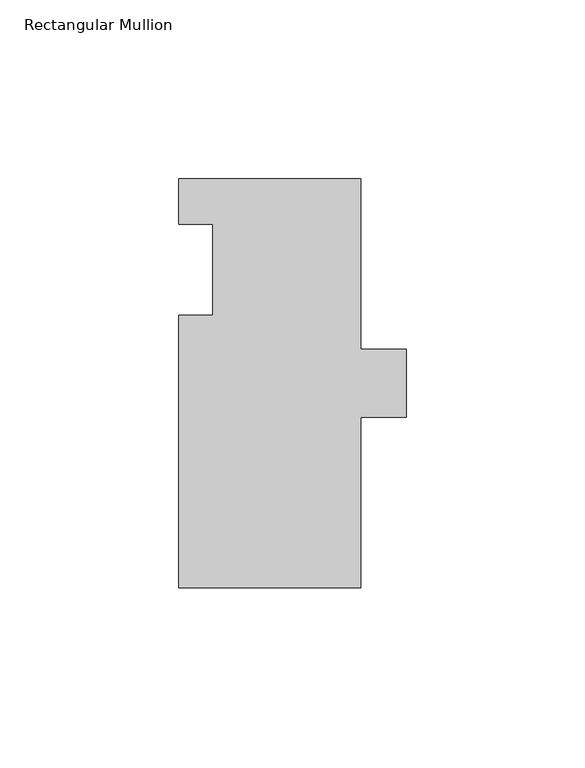
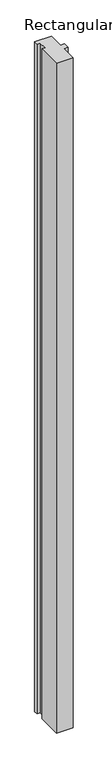
"""IFC4 building model written with IfcOpenShell, lengths in millimetres: member geometry, Rectangular Mullion."""

from ifc_helpers import new_model, si_unit, frame, origin, place, context, project, spatial, polyline, outline, extrude, source, transform, mapped, element, save


def rectangular_mullion_1c6ff557(model_context):
    return source(origin(), model_context, "Body", "SweptSolid", [
        extrude(outline(polyline([(-25.4, -101.6), (-25.4, -25.4), (-15.875, -25.4), (-15.875, 0.0), (-25.4, 0.0), (-25.4, 12.7), (25.4, 12.7), (25.4, -34.925), (38.1, -34.925), (38.1, -53.975), (25.4, -53.975), (25.4, -101.6), (-25.4, -101.6)])), frame((0.0, 0.0, -2159.0), z_axis=(0.0, 0.0, 1.0), x_axis=(1.0, 0.0, 0.0)), (0.0, 0.0, 1.0), 2159.0),
    ])


if __name__ == "__main__":
    model = new_model("IFC4")
    model_context = context("Model", 3, world=origin())
    ifc_project = project(units=[si_unit("LENGTHUNIT", "METRE", prefix="MILLI")], contexts=[model_context])
    site = spatial("IfcSite", under=ifc_project)
    building = spatial("IfcBuilding", under=site)
    placement = place(None, origin())
    rectangular_mullion_shape = rectangular_mullion_1c6ff557(model_context)
    element("IfcMember", 1, ObjectType="Rectangular Mullion", at=placement, inside=building, context=model_context, shape_type="MappedRepresentation", body=[
        mapped(rectangular_mullion_shape, transform((0.0, 0.0, 0.0), x_axis=(1.0, 0.0, 0.0), y_axis=(0.0, 1.0, 0.0), z_axis=(0.0, 0.0, 1.0))),
    ])
    save(model, "model.ifc")
